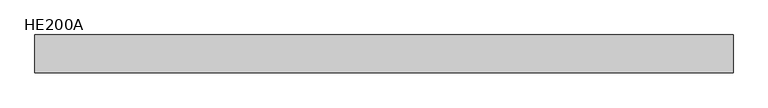
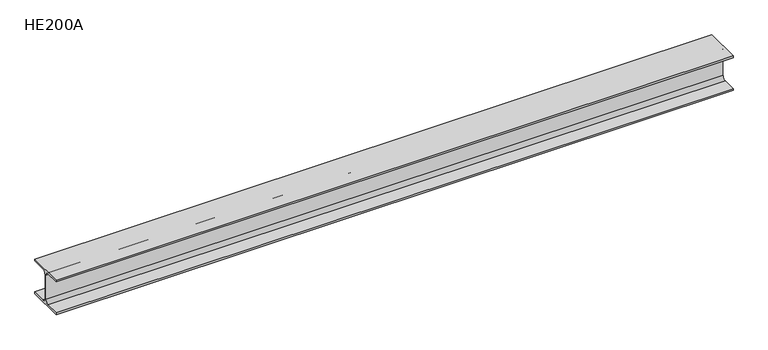
"""IFC4 building model written with IfcOpenShell, lengths in millimetres: beam geometry, HE200A."""

from ifc_helpers import new_model, si_unit, point, frame, frame_2d, origin, place, context, project, spatial, polyline, circle_curve, trimmed, segment, composite_curve, outline, extrude, source, transform, mapped, element, save


def he200a_8229f5cd(model_context):
    return source(origin(), model_context, "Body", "SweptSolid", [
        extrude(outline(composite_curve([segment(polyline([(100.0, -90.0), (100.0, -100.0), (-100.0, -100.0), (-100.0, -90.0), (-24.0, -90.0)]), True, "CONTINUOUS"), segment(trimmed(circle_curve(frame_2d((-24.0, -70.0)), 20.0), [point((-24.0, -90.0))], [point((-4.0, -70.0))], True, "CARTESIAN"), True, "CONTINUOUS"), segment(polyline([(-4.0, -70.0), (-4.0, 70.0)]), True, "CONTINUOUS"), segment(trimmed(circle_curve(frame_2d((-24.0, 70.0)), 20.0), [point((-4.0, 70.0))], [point((-24.0, 90.0))], True, "CARTESIAN"), True, "CONTINUOUS"), segment(polyline([(-24.0, 90.0), (-100.0, 90.0), (-100.0, 100.0), (100.0, 100.0), (100.0, 90.0), (24.0, 90.0)]), True, "CONTINUOUS"), segment(trimmed(circle_curve(frame_2d((24.0, 70.0)), 20.0), [point((24.0, 90.0))], [point((4.0, 70.0))], True, "CARTESIAN"), True, "CONTINUOUS"), segment(polyline([(4.0, 70.0), (4.0, -70.0)]), True, "CONTINUOUS"), segment(trimmed(circle_curve(frame_2d((24.0, -70.0)), 20.0), [point((4.0, -70.0))], [point((24.0, -90.0))], True, "CARTESIAN"), True, "CONTINUOUS"), segment(polyline([(24.0, -90.0), (100.0, -90.0)]), True, "CONTINUOUS")], self_intersect=False)), frame((-1861.0, 0.0, 0.0), z_axis=(1.0, 0.0, 0.0), x_axis=(0.0, 1.0, 0.0)), (0.0, 0.0, 1.0), 3705.0),
    ])


if __name__ == "__main__":
    model = new_model("IFC4")
    model_context = context("Model", 3, world=origin())
    ifc_project = project(units=[si_unit("LENGTHUNIT", "METRE", prefix="MILLI")], contexts=[model_context])
    site = spatial("IfcSite", under=ifc_project)
    building = spatial("IfcBuilding", under=site)
    placement = place(None, origin())
    he200a_shape = he200a_8229f5cd(model_context)
    element("IfcBeam", 1, ObjectType="HE200A", at=placement, inside=building, context=model_context, shape_type="MappedRepresentation", body=[
        mapped(he200a_shape, transform((0.0, 0.0, 0.0), x_axis=(1.0, 0.0, 0.0), y_axis=(0.0, 1.0, 0.0), z_axis=(0.0, 0.0, 1.0))),
    ])
    save(model, "model.ifc")
